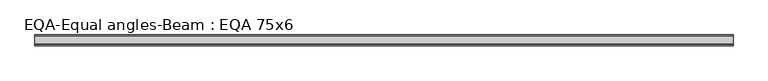
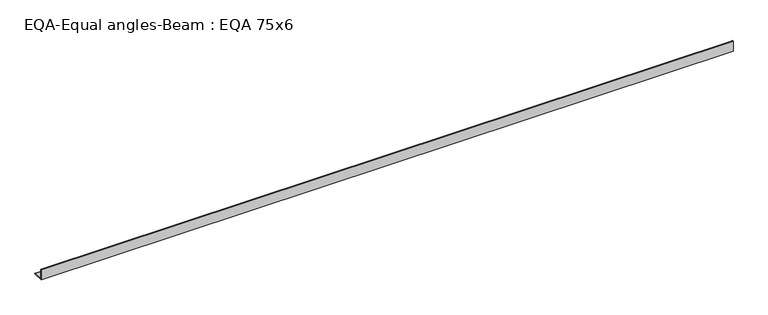
"""IFC4 building model written with IfcOpenShell, lengths in millimetres: beam geometry, EQA-Equal angles-Beam : EQA 75x6."""

from ifc_helpers import new_model, si_unit, point, frame, frame_2d, origin, place, context, project, spatial, polyline, circle_curve, trimmed, segment, composite_curve, outline, extrude, source, transform, mapped, element, save


def eqa_equal_angles_beam_eqa_75x6_f0224381(model_context):
    return source(origin(), model_context, "Body", "SweptSolid", [
        extrude(outline(composite_curve([segment(polyline([(-20.5, -20.5), (-20.5, 54.5), (-19.0, 54.5)]), True, "CONTINUOUS"), segment(trimmed(circle_curve(frame_2d((-19.0, 50.0)), 4.5), [point((-19.0, 54.5))], [point((-14.5, 50.0))], False, "CARTESIAN"), True, "CONTINUOUS"), segment(polyline([(-14.5, 50.0), (-14.5, -5.5)]), True, "CONTINUOUS"), segment(trimmed(circle_curve(frame_2d((-5.5, -5.5)), 9.0), [point((-14.5, -5.5))], [point((-5.5, -14.5))], True, "CARTESIAN"), True, "CONTINUOUS"), segment(polyline([(-5.5, -14.5), (50.0, -14.5)]), True, "CONTINUOUS"), segment(trimmed(circle_curve(frame_2d((50.0, -19.0)), 4.5), [point((50.0, -14.5))], [point((54.5, -19.0))], False, "CARTESIAN"), True, "CONTINUOUS"), segment(polyline([(54.5, -19.0), (54.5, -20.5), (-20.5, -20.5)]), True, "CONTINUOUS")], self_intersect=False)), frame((-2403.4545272, 0.0, 0.0), z_axis=(1.0, 0.0, 0.0), x_axis=(0.0, 1.0, 0.0)), (0.0, 0.0, 1.0), 4834.8994595),
    ])


if __name__ == "__main__":
    model = new_model("IFC4")
    model_context = context("Model", 3, world=origin())
    ifc_project = project(units=[si_unit("LENGTHUNIT", "METRE", prefix="MILLI")], contexts=[model_context])
    site = spatial("IfcSite", under=ifc_project)
    building = spatial("IfcBuilding", under=site)
    placement = place(None, origin())
    eqa_equal_angles_beam_eqa_75x6_shape = eqa_equal_angles_beam_eqa_75x6_f0224381(model_context)
    element("IfcBeam", 1, ObjectType="EQA-Equal angles-Beam : EQA 75x6", at=placement, inside=building, context=model_context, shape_type="MappedRepresentation", body=[
        mapped(eqa_equal_angles_beam_eqa_75x6_shape, transform((0.0, 0.0, 0.0), x_axis=(1.0, 0.0, 0.0), y_axis=(0.0, 1.0, 0.0), z_axis=(0.0, 0.0, 1.0))),
    ])
    save(model, "model.ifc")
